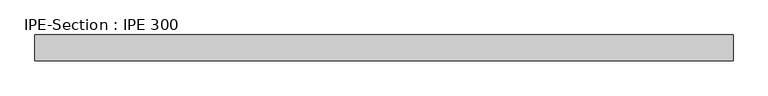
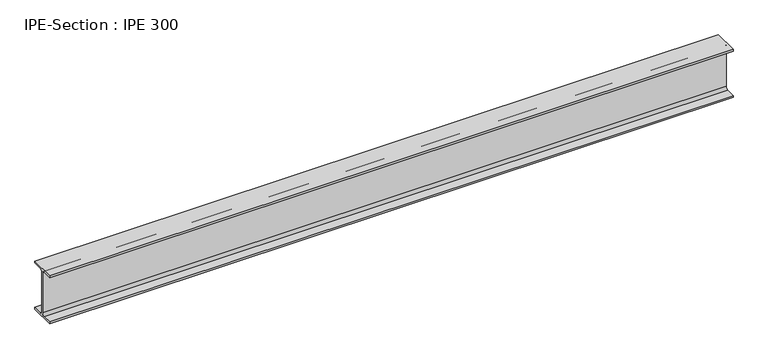
"""IFC4 building model written with IfcOpenShell, lengths in millimetres: beam geometry, IPE-Section : IPE 300."""

from ifc_helpers import new_model, si_unit, point, frame, frame_2d, origin, place, context, project, spatial, polyline, circle_curve, trimmed, segment, composite_curve, outline, extrude, source, transform, mapped, element, save


def ipe_section_ipe_300_bbd59841(model_context):
    return source(origin(), model_context, "Body", "SweptSolid", [
        extrude(outline(composite_curve([segment(polyline([(-75.0, -139.3), (-18.55, -139.3)]), True, "CONTINUOUS"), segment(trimmed(circle_curve(frame_2d((-18.55, -124.3)), 15.0), [point((-18.55, -139.3))], [point((-3.55, -124.3))], True, "CARTESIAN"), True, "CONTINUOUS"), segment(polyline([(-3.55, -124.3), (-3.55, 124.3)]), True, "CONTINUOUS"), segment(trimmed(circle_curve(frame_2d((-18.55, 124.3)), 15.0), [point((-3.55, 124.3))], [point((-18.55, 139.3))], True, "CARTESIAN"), True, "CONTINUOUS"), segment(polyline([(-18.55, 139.3), (-75.0, 139.3), (-75.0, 150.0), (75.0, 150.0), (75.0, 139.3), (18.55, 139.3)]), True, "CONTINUOUS"), segment(trimmed(circle_curve(frame_2d((18.55, 124.3)), 15.0), [point((18.55, 139.3))], [point((3.55, 124.3))], True, "CARTESIAN"), True, "CONTINUOUS"), segment(polyline([(3.55, 124.3), (3.55, -124.3)]), True, "CONTINUOUS"), segment(trimmed(circle_curve(frame_2d((18.55, -124.3)), 15.0), [point((3.55, -124.3))], [point((18.55, -139.3))], True, "CARTESIAN"), True, "CONTINUOUS"), segment(polyline([(18.55, -139.3), (75.0, -139.3), (75.0, -150.0), (-75.0, -150.0), (-75.0, -139.3)]), True, "CONTINUOUS")], self_intersect=False)), frame((-2075.2166824, 0.0, 0.0), z_axis=(1.0, 0.0, 0.0), x_axis=(0.0, 1.0, 0.0)), (0.0, 0.0, 1.0), 4050.4146131),
    ])


if __name__ == "__main__":
    model = new_model("IFC4")
    model_context = context("Model", 3, world=origin())
    ifc_project = project(units=[si_unit("LENGTHUNIT", "METRE", prefix="MILLI")], contexts=[model_context])
    site = spatial("IfcSite", under=ifc_project)
    building = spatial("IfcBuilding", under=site)
    placement = place(None, origin())
    ipe_section_ipe_300_shape = ipe_section_ipe_300_bbd59841(model_context)
    element("IfcBeam", 1, ObjectType="IPE-Section : IPE 300", at=placement, inside=building, context=model_context, shape_type="MappedRepresentation", body=[
        mapped(ipe_section_ipe_300_shape, transform((0.0, 0.0, 0.0), x_axis=(1.0, 0.0, 0.0), y_axis=(0.0, 1.0, 0.0), z_axis=(0.0, 0.0, 1.0))),
    ])
    save(model, "model.ifc")
